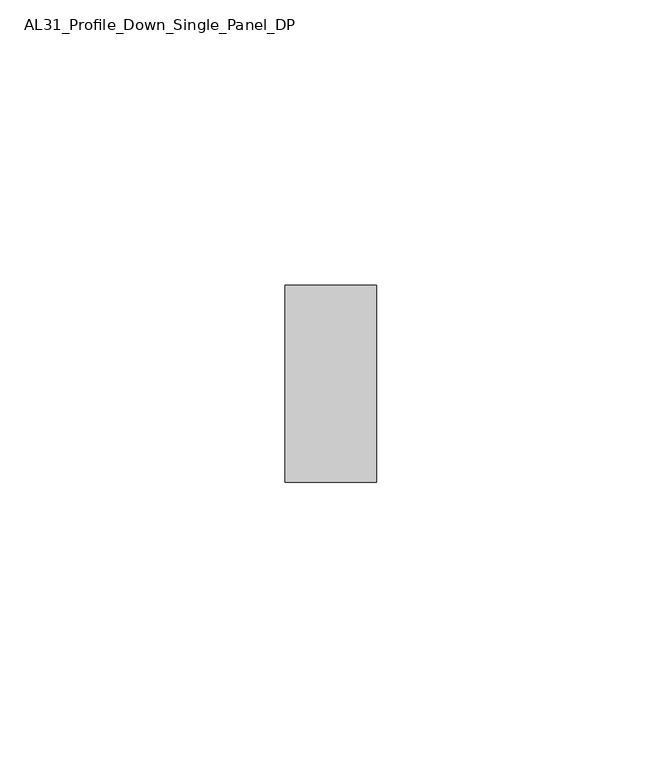
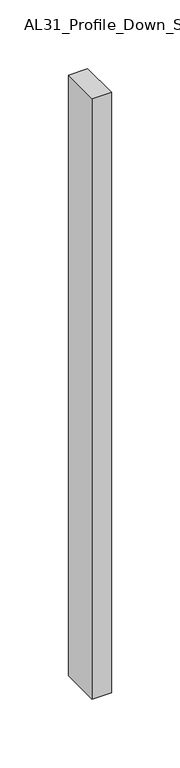
"""IFC4 building model written with IfcOpenShell, lengths in millimetres: member geometry, AL31_Profile_Down_Single_Panel_DP."""

from ifc_helpers import new_model, si_unit, frame, origin, place, context, project, spatial, polyline, outline, extrude, source, transform, mapped, element, save


def al31_profile_down_single_panel_dp_154f32ba(model_context):
    return source(origin(), model_context, "Body", "SweptSolid", [
        extrude(outline(polyline([(0.0, 37.107), (0.0, 2.607), (-16.0427074, 2.607), (-16.0427074, 37.107), (0.0, 37.107)])), frame((0.0, 0.0, -533.4809023), z_axis=(0.0, 0.0, 1.0), x_axis=(1.0, 0.0, 0.0)), (0.0, 0.0, 1.0), 533.4809023),
    ])


if __name__ == "__main__":
    model = new_model("IFC4")
    model_context = context("Model", 3, world=origin())
    ifc_project = project(units=[si_unit("LENGTHUNIT", "METRE", prefix="MILLI")], contexts=[model_context])
    site = spatial("IfcSite", under=ifc_project)
    building = spatial("IfcBuilding", under=site)
    placement = place(None, origin())
    al31_profile_down_single_panel_dp_shape = al31_profile_down_single_panel_dp_154f32ba(model_context)
    element("IfcMember", 1, ObjectType="AL31_Profile_Down_Single_Panel_DP", at=placement, inside=building, context=model_context, shape_type="MappedRepresentation", body=[
        mapped(al31_profile_down_single_panel_dp_shape, transform((0.0, 0.0, 0.0), x_axis=(1.0, 0.0, 0.0), y_axis=(0.0, 1.0, 0.0), z_axis=(0.0, 0.0, 1.0))),
    ])
    save(model, "model.ifc")
